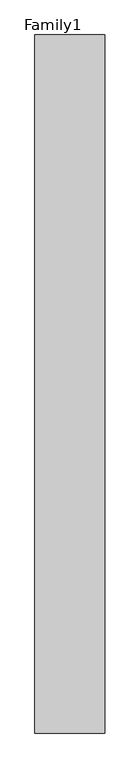
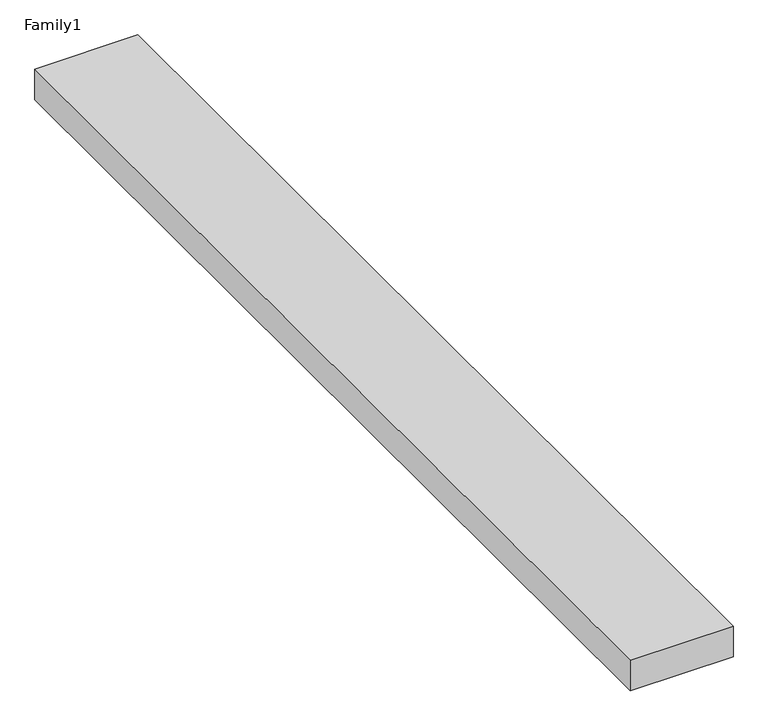
"""IFC4 building model written with IfcOpenShell, lengths in millimetres: proxy geometry, Family1."""

from ifc_helpers import new_model, si_unit, origin, origin_with_axes, place, context, project, spatial, polyline, outline, extrude, source, transform, mapped, element, save


def family1_a44533f9(model_context):
    return source(origin(), model_context, "Body", "SweptSolid", [
        extrude(outline(polyline([(5000.0, 0.0), (0.0, 0.0), (0.0, 50000.0), (5000.0, 50000.0), (5000.0, 0.0)])), origin_with_axes(), (0.0, 0.0, 1.0), 1569.0),
    ])


if __name__ == "__main__":
    model = new_model("IFC4")
    model_context = context("Model", 3, world=origin())
    ifc_project = project(units=[si_unit("LENGTHUNIT", "METRE", prefix="MILLI")], contexts=[model_context])
    site = spatial("IfcSite", under=ifc_project)
    building = spatial("IfcBuilding", under=site)
    placement = place(None, origin())
    family1_shape = family1_a44533f9(model_context)
    element("IfcBuildingElementProxy", 1, Name="Family1", ObjectType="Family1", at=placement, inside=building, context=model_context, shape_type="MappedRepresentation", body=[
        mapped(family1_shape, transform((0.0, 0.0, 0.0), x_axis=(1.0, 0.0, 0.0), y_axis=(0.0, 1.0, 0.0), z_axis=(0.0, 0.0, 1.0))),
    ])
    save(model, "model.ifc")
